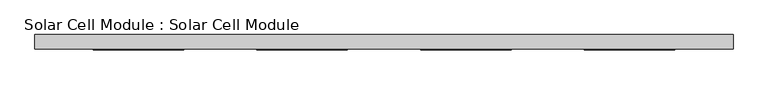
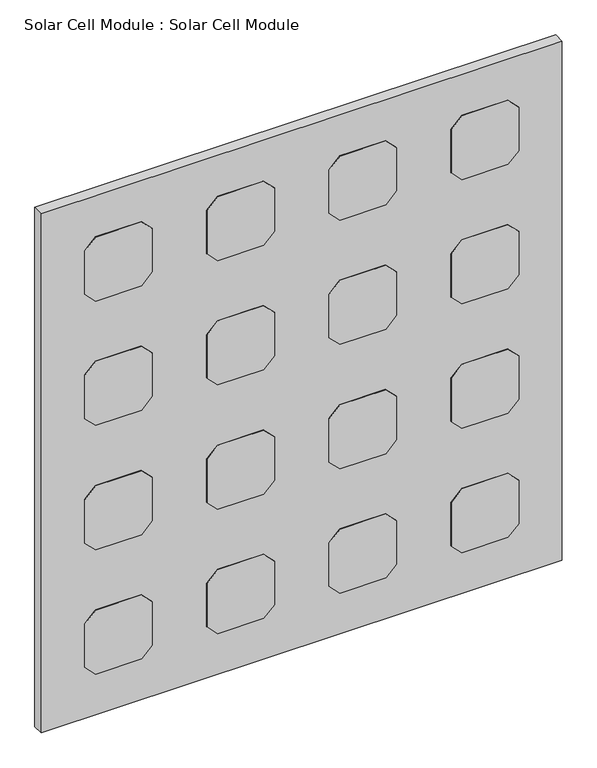
"""IFC4 building model written with IfcOpenShell, lengths in millimetres: plate geometry, Solar Cell Module : Solar Cell Module."""

import ifcopenshell
import ifcopenshell.guid

model = None  # the IFC model being written
_history = None  # IfcOwnerHistory: only IFC2X3 demands one
_inside = {}  # id of a spatial element -> (the spatial element, [elements in it])
_under = {}  # id of a project, library or spatial element -> (it, [spatial elements below it])
_declared = {}  # id of a project -> (the project, [libraries it declares])
_typed = {}  # id of a type object -> (the type object, [elements of that type])
_made_of = {}  # id of a material, layer set ... -> (it, [elements and type objects made of it])


def new_model(schema):
    """Start an empty IFC model of exactly this schema.

    Asked for "IFC4X3", IfcOpenShell would pick the latest addendum, in which some entities
    have other attributes; the version numbers below select the first issue.
    IFC2X3 requires an IfcOwnerHistory on every rooted entity: one is made here for all.
    """
    global model, _history
    if schema == "IFC4X3":
        model = ifcopenshell.file(schema_version=(4, 3, 0, 0))
    else:
        model = ifcopenshell.file(schema=schema)
    _inside.clear()
    _under.clear()
    _declared.clear()
    _typed.clear()
    _made_of.clear()
    _history = None
    if model.schema == "IFC2X3":
        org = make("IfcOrganization", Name="unknown")
        user = make(
            "IfcPersonAndOrganization",
            ThePerson=make("IfcPerson", FamilyName="unknown"),
            TheOrganization=org,
        )
        app = make(
            "IfcApplication",
            ApplicationDeveloper=org,
            Version="unknown",
            ApplicationFullName="unknown",
            ApplicationIdentifier="unknown",
        )
        _history = make(
            "IfcOwnerHistory",
            OwningUser=user,
            OwningApplication=app,
            ChangeAction="ADDED",
            CreationDate=0,
        )
    return model


def make(cls, **values):
    """One entity of the class cls with the attributes given. An attribute that is None is left unset."""
    return model.create_entity(
        cls, **{name: value for name, value in values.items() if value is not None}
    )


def rooted(cls, **values):
    """An entity with a GlobalId (a new one), such as an element, a storey or a relation."""
    return make(cls, GlobalId=ifcopenshell.guid.new(), OwnerHistory=_history, **values)


def si_unit(unit_type, name, prefix=None):
    """IfcSIUnit, for example si_unit("LENGTHUNIT", "METRE", prefix="MILLI")."""
    return make("IfcSIUnit", UnitType=unit_type, Prefix=prefix, Name=name)


def assignment(units):
    """IfcUnitAssignment: the units of a project."""
    return None if units is None else make("IfcUnitAssignment", Units=units)


def point(xyz):
    """IfcCartesianPoint."""
    return None if xyz is None else make("IfcCartesianPoint", Coordinates=xyz)


def direction(xyz):
    """IfcDirection."""
    return None if xyz is None else make("IfcDirection", DirectionRatios=xyz)


def frame(location, z_axis=None, x_axis=None):
    """IfcAxis2Placement3D, a coordinate frame: its origin and axes. An axis left out is left unset."""
    return make(
        "IfcAxis2Placement3D",
        Location=point(location),
        Axis=direction(z_axis),
        RefDirection=direction(x_axis),
    )


def origin():
    """The frame at (0, 0, 0) with its axes left unset."""
    return frame((0.0, 0.0, 0.0))


def origin_with_axes():
    """The frame at (0, 0, 0) with the z axis (0, 0, 1) and the x axis (1, 0, 0) written out."""
    return frame((0.0, 0.0, 0.0), z_axis=(0.0, 0.0, 1.0), x_axis=(1.0, 0.0, 0.0))


def place(relative_to, where):
    """IfcLocalPlacement: puts the frame where relative to a parent placement (None: the world)."""
    return make(
        "IfcLocalPlacement", PlacementRelTo=relative_to, RelativePlacement=where
    )


def context(
    kind, dimensions, precision=None, world=None, true_north=None, identifier=None
):
    """IfcGeometricRepresentationContext, for example the 3D "Model" context."""
    return make(
        "IfcGeometricRepresentationContext",
        ContextIdentifier=identifier,
        ContextType=kind,
        CoordinateSpaceDimension=dimensions,
        Precision=precision,
        WorldCoordinateSystem=world,
        TrueNorth=true_north,
    )


def project(units=None, contexts=None):
    """IfcProject with its units and contexts."""
    return rooted(
        "IfcProject",
        Name="project",
        RepresentationContexts=contexts,
        UnitsInContext=assignment(units),
    )


def spatial(cls, under=None, at=None, **own):
    """A site, building, storey or space (cls), placed at a placement, below another one or the project."""
    s = rooted(cls, ObjectPlacement=at, **own)
    if under is not None:
        _under.setdefault(under.id(), (under, []))[1].append(s)
    return s


def polyline(points):
    """IfcPolyline through the points."""
    return make("IfcPolyline", Points=[point(p) for p in points])


def outline(outer, holes=None, kind="AREA"):
    """IfcArbitraryClosedProfileDef: a profile drawn as a closed curve; with holes, ...WithVoids."""
    if holes is None:
        return make("IfcArbitraryClosedProfileDef", ProfileType=kind, OuterCurve=outer)
    return make(
        "IfcArbitraryProfileDefWithVoids",
        ProfileType=kind,
        OuterCurve=outer,
        InnerCurves=holes,
    )


def extrude(swept, where, along, depth):
    """IfcExtrudedAreaSolid: the profile swept, set in the frame where, extruded along a direction by depth."""
    return make(
        "IfcExtrudedAreaSolid",
        SweptArea=swept,
        Position=where,
        ExtrudedDirection=direction(along),
        Depth=depth,
    )


def shape(context_of_items, identifier, shape_type, items):
    """IfcShapeRepresentation: the items that make up one representation, for example the "Body"."""
    return make(
        "IfcShapeRepresentation",
        ContextOfItems=context_of_items,
        RepresentationIdentifier=identifier,
        RepresentationType=shape_type,
        Items=items,
    )


def source(mapping_origin, context_of_items, identifier, shape_type, items):
    """IfcRepresentationMap: a shape defined once, which mapped items show again and again."""
    return make(
        "IfcRepresentationMap",
        MappingOrigin=mapping_origin,
        MappedRepresentation=shape(context_of_items, identifier, shape_type, items),
    )


def transform(
    local_origin,
    x_axis=None,
    y_axis=None,
    z_axis=None,
    scale=None,
    scale2=None,
    scale3=None,
    uniform=True,
):
    """IfcCartesianTransformationOperator3D, or its non-uniform kind. x_axis, y_axis, z_axis: its Axis1, 2, 3."""
    if uniform:
        return make(
            "IfcCartesianTransformationOperator3D",
            Axis1=direction(x_axis),
            Axis2=direction(y_axis),
            LocalOrigin=point(local_origin),
            Scale=scale,
            Axis3=direction(z_axis),
        )
    return make(
        "IfcCartesianTransformationOperator3DnonUniform",
        Axis1=direction(x_axis),
        Axis2=direction(y_axis),
        LocalOrigin=point(local_origin),
        Scale=scale,
        Axis3=direction(z_axis),
        Scale2=scale2,
        Scale3=scale3,
    )


def mapped(mapping_source, mapping_target):
    """IfcMappedItem: shows the shape of a source again, moved by a transform."""
    return make(
        "IfcMappedItem", MappingSource=mapping_source, MappingTarget=mapping_target
    )


def made_of(thing, what):
    """Note that an element or type object is made of a material, layer set ...; save() writes the relation."""
    if what is not None:
        _made_of.setdefault(what.id(), (what, []))[1].append(thing)
    return thing


def element(
    cls,
    number,
    at=None,
    inside=None,
    cuts=None,
    type_object=None,
    material=None,
    context=None,
    identifier="Body",
    shape_type=None,
    held_by="IfcProductDefinitionShape",
    body=None,
    shapes=None,
    **own,
):
    """One element of the class cls, such as IfcWall. Its Tag is "e" and its number.

    at: its placement. inside: the storey or other place that contains it. cuts: it is an
    opening in that element (IfcRelVoidsElement). A single representation is given by context,
    identifier, shape_type and body (its items); several are given by shapes. held_by: the class
    of the entity that holds the representations. save() writes the other relations.
    """
    e = rooted(cls, Tag="e%d" % number, ObjectPlacement=at, **own)
    if body is not None:
        shapes = [shape(context, identifier, shape_type, body)]
    if shapes is not None:
        e.Representation = make(held_by, Representations=shapes)
    if inside is not None:
        _inside.setdefault(inside.id(), (inside, []))[1].append(e)
    if cuts is not None:
        rooted(
            "IfcRelVoidsElement", RelatingBuildingElement=cuts, RelatedOpeningElement=e
        )
    if type_object is not None:
        _typed.setdefault(type_object.id(), (type_object, []))[1].append(e)
    return made_of(e, material)


def aggregate(whole, parts):
    """IfcRelAggregates: a whole, such as a stair, and the parts it consists of."""
    return rooted("IfcRelAggregates", RelatingObject=whole, RelatedObjects=parts)


def save(model, path):
    """Write the relations noted so far, then the file.

    IfcRelAggregates (storeys below a building ...), IfcRelContainedInSpatialStructure (elements
    in a storey), IfcRelDefinesByType, IfcRelAssociatesMaterial and IfcRelDeclares: one each for
    every whole, place, type object, material and project.
    """
    for whole, parts in _under.values():
        aggregate(whole, parts)
    for where, things in _inside.values():
        rooted(
            "IfcRelContainedInSpatialStructure",
            RelatedElements=things,
            RelatingStructure=where,
        )
    for kind, things in _typed.values():
        rooted("IfcRelDefinesByType", RelatedObjects=things, RelatingType=kind)
    for what, things in _made_of.values():
        rooted("IfcRelAssociatesMaterial", RelatedObjects=things, RelatingMaterial=what)
    for by, libraries in _declared.values():
        rooted("IfcRelDeclares", RelatingContext=by, RelatedDefinitions=libraries)
    model.write(path)


def solar_cell_module_solar_cell_module_bd954e8c(model_context):
    return source(origin(), model_context, "Body", "SweptSolid", [
        extrude(outline(polyline([(706.228479, 193.9126201), (731.228479, 218.9126201), (837.228479, 218.9126201), (862.228479, 193.9126201), (862.228479, 87.9126201), (837.228479, 62.9126201), (731.228479, 62.9126201), (706.228479, 87.9126201), (706.228479, 193.9126201)])), frame((0.0, -26.0, 0.0), z_axis=(0.0, 1.0, 0.0), x_axis=(0.0, 0.0, 1.0)), (0.0, 0.0, 1.0), 1.0),
        extrude(outline(polyline([(403.1142395, 193.9126201), (428.1142395, 218.9126201), (534.1142395, 218.9126201), (559.1142395, 193.9126201), (559.1142395, 87.9126201), (534.1142395, 62.9126201), (428.1142395, 62.9126201), (403.1142395, 87.9126201), (403.1142395, 193.9126201)])), frame((0.0, -26.0, 0.0), z_axis=(0.0, 1.0, 0.0), x_axis=(0.0, 0.0, 1.0)), (0.0, 0.0, 1.0), 1.0),
        extrude(outline(polyline([(1009.3427185, 193.9126201), (1034.3427185, 218.9126201), (1140.3427185, 218.9126201), (1165.3427185, 193.9126201), (1165.3427185, 87.9126201), (1140.3427185, 62.9126201), (1034.3427185, 62.9126201), (1009.3427185, 87.9126201), (1009.3427185, 193.9126201)])), frame((0.0, -26.0, 0.0), z_axis=(0.0, 1.0, 0.0), x_axis=(0.0, 0.0, 1.0)), (0.0, 0.0, 1.0), 1.0),
        extrude(outline(polyline([(100.0, 193.9126201), (125.0, 218.9126201), (231.0, 218.9126201), (256.0, 193.9126201), (256.0, 87.9126201), (231.0, 62.9126201), (125.0, 62.9126201), (100.0, 87.9126201), (100.0, 193.9126201)])), frame((0.0, -26.0, 0.0), z_axis=(0.0, 1.0, 0.0), x_axis=(0.0, 0.0, 1.0)), (0.0, 0.0, 1.0), 1.0),
        extrude(outline(polyline([(706.228479, -87.9126201), (731.228479, -62.9126201), (837.228479, -62.9126201), (862.228479, -87.9126201), (862.228479, -193.9126201), (837.228479, -218.9126201), (731.228479, -218.9126201), (706.228479, -193.9126201), (706.228479, -87.9126201)])), frame((0.0, -26.0, 0.0), z_axis=(0.0, 1.0, 0.0), x_axis=(0.0, 0.0, 1.0)), (0.0, 0.0, 1.0), 1.0),
        extrude(outline(polyline([(403.1142395, -87.9126201), (428.1142395, -62.9126201), (534.1142395, -62.9126201), (559.1142395, -87.9126201), (559.1142395, -193.9126201), (534.1142395, -218.9126201), (428.1142395, -218.9126201), (403.1142395, -193.9126201), (403.1142395, -87.9126201)])), frame((0.0, -26.0, 0.0), z_axis=(0.0, 1.0, 0.0), x_axis=(0.0, 0.0, 1.0)), (0.0, 0.0, 1.0), 1.0),
        extrude(outline(polyline([(1009.3427185, -87.9126201), (1034.3427185, -62.9126201), (1140.3427185, -62.9126201), (1165.3427185, -87.9126201), (1165.3427185, -193.9126201), (1140.3427185, -218.9126201), (1034.3427185, -218.9126201), (1009.3427185, -193.9126201), (1009.3427185, -87.9126201)])), frame((0.0, -26.0, 0.0), z_axis=(0.0, 1.0, 0.0), x_axis=(0.0, 0.0, 1.0)), (0.0, 0.0, 1.0), 1.0),
        extrude(outline(polyline([(100.0, -87.9126201), (125.0, -62.9126201), (231.0, -62.9126201), (256.0, -87.9126201), (256.0, -193.9126201), (231.0, -218.9126201), (125.0, -218.9126201), (100.0, -193.9126201), (100.0, -87.9126201)])), frame((0.0, -26.0, 0.0), z_axis=(0.0, 1.0, 0.0), x_axis=(0.0, 0.0, 1.0)), (0.0, 0.0, 1.0), 1.0),
        extrude(outline(polyline([(706.228479, 475.7378602), (731.228479, 500.7378602), (837.228479, 500.7378602), (862.228479, 475.7378602), (862.228479, 369.7378602), (837.228479, 344.7378602), (731.228479, 344.7378602), (706.228479, 369.7378602), (706.228479, 475.7378602)])), frame((0.0, -26.0, 0.0), z_axis=(0.0, 1.0, 0.0), x_axis=(0.0, 0.0, 1.0)), (0.0, 0.0, 1.0), 1.0),
        extrude(outline(polyline([(403.1142395, 475.7378602), (428.1142395, 500.7378602), (534.1142395, 500.7378602), (559.1142395, 475.7378602), (559.1142395, 369.7378602), (534.1142395, 344.7378602), (428.1142395, 344.7378602), (403.1142395, 369.7378602), (403.1142395, 475.7378602)])), frame((0.0, -26.0, 0.0), z_axis=(0.0, 1.0, 0.0), x_axis=(0.0, 0.0, 1.0)), (0.0, 0.0, 1.0), 1.0),
        extrude(outline(polyline([(1009.3427185, 475.7378602), (1034.3427185, 500.7378602), (1140.3427185, 500.7378602), (1165.3427185, 475.7378602), (1165.3427185, 369.7378602), (1140.3427185, 344.7378602), (1034.3427185, 344.7378602), (1009.3427185, 369.7378602), (1009.3427185, 475.7378602)])), frame((0.0, -26.0, 0.0), z_axis=(0.0, 1.0, 0.0), x_axis=(0.0, 0.0, 1.0)), (0.0, 0.0, 1.0), 1.0),
        extrude(outline(polyline([(100.0, 475.7378602), (125.0, 500.7378602), (231.0, 500.7378602), (256.0, 475.7378602), (256.0, 369.7378602), (231.0, 344.7378602), (125.0, 344.7378602), (100.0, 369.7378602), (100.0, 475.7378602)])), frame((0.0, -26.0, 0.0), z_axis=(0.0, 1.0, 0.0), x_axis=(0.0, 0.0, 1.0)), (0.0, 0.0, 1.0), 1.0),
        extrude(outline(polyline([(706.228479, -369.7378602), (731.228479, -344.7378602), (837.228479, -344.7378602), (862.228479, -369.7378602), (862.228479, -475.7378602), (837.228479, -500.7378602), (731.228479, -500.7378602), (706.228479, -475.7378602), (706.228479, -369.7378602)])), frame((0.0, -26.0, 0.0), z_axis=(0.0, 1.0, 0.0), x_axis=(0.0, 0.0, 1.0)), (0.0, 0.0, 1.0), 1.0),
        extrude(outline(polyline([(403.1142395, -369.7378602), (428.1142395, -344.7378602), (534.1142395, -344.7378602), (559.1142395, -369.7378602), (559.1142395, -475.7378602), (534.1142395, -500.7378602), (428.1142395, -500.7378602), (403.1142395, -475.7378602), (403.1142395, -369.7378602)])), frame((0.0, -26.0, 0.0), z_axis=(0.0, 1.0, 0.0), x_axis=(0.0, 0.0, 1.0)), (0.0, 0.0, 1.0), 1.0),
        extrude(outline(polyline([(1009.3427185, -369.7378602), (1034.3427185, -344.7378602), (1140.3427185, -344.7378602), (1165.3427185, -369.7378602), (1165.3427185, -475.7378602), (1140.3427185, -500.7378602), (1034.3427185, -500.7378602), (1009.3427185, -475.7378602), (1009.3427185, -369.7378602)])), frame((0.0, -26.0, 0.0), z_axis=(0.0, 1.0, 0.0), x_axis=(0.0, 0.0, 1.0)), (0.0, 0.0, 1.0), 1.0),
        extrude(outline(polyline([(100.0, -369.7378602), (125.0, -344.7378602), (231.0, -344.7378602), (256.0, -369.7378602), (256.0, -475.7378602), (231.0, -500.7378602), (125.0, -500.7378602), (100.0, -475.7378602), (100.0, -369.7378602)])), frame((0.0, -26.0, 0.0), z_axis=(0.0, 1.0, 0.0), x_axis=(0.0, 0.0, 1.0)), (0.0, 0.0, 1.0), 1.0),
        extrude(outline(polyline([(600.7378602, -25.0), (-600.7378602, -25.0), (-600.7378602, 0.0), (600.7378602, 0.0), (600.7378602, -25.0)])), origin_with_axes(), (0.0, 0.0, 1.0), 1265.3427185),
    ])


if __name__ == "__main__":
    model = new_model("IFC4")
    model_context = context("Model", 3, world=origin())
    ifc_project = project(units=[si_unit("LENGTHUNIT", "METRE", prefix="MILLI")], contexts=[model_context])
    site = spatial("IfcSite", under=ifc_project)
    building = spatial("IfcBuilding", under=site)
    placement = place(None, origin())
    solar_cell_module_solar_cell_module_shape = solar_cell_module_solar_cell_module_bd954e8c(model_context)
    element("IfcPlate", 1, ObjectType="Solar Cell Module : Solar Cell Module", at=placement, inside=building, context=model_context, shape_type="MappedRepresentation", body=[
        mapped(solar_cell_module_solar_cell_module_shape, transform((0.0, 0.0, 0.0), x_axis=(1.0, 0.0, 0.0), y_axis=(0.0, 1.0, 0.0), z_axis=(0.0, 0.0, 1.0))),
    ])
    save(model, "model.ifc")
